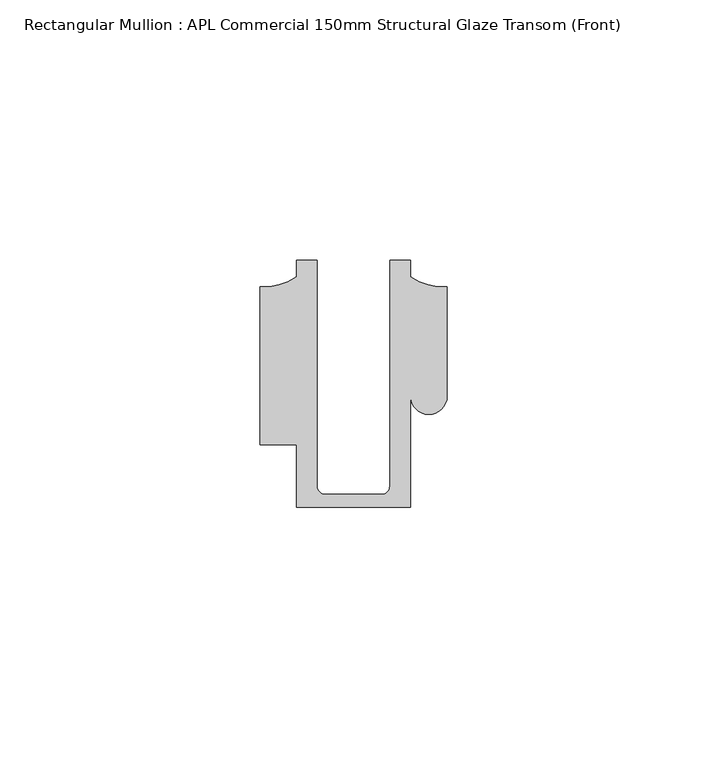
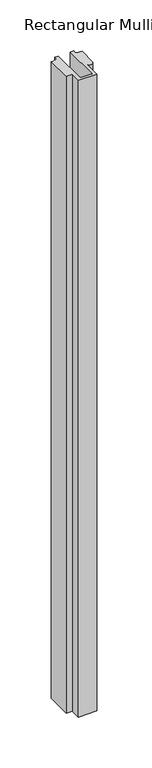
"""IFC4 building model written with IfcOpenShell, lengths in millimetres: member geometry, Rectangular Mullion : APL Commercial 150mm Structural Glaze Transom (Front)."""

from ifc_helpers import new_model, si_unit, frame, origin, place, context, project, spatial, polyline, circle_curve, source, transform, mapped, element, save
from ifc_brep_helpers import plane_surface, cylinder_surface, revolved_surface, advanced_brep


def rectangular_mullion_apl_commercial_150mm_structural_glaze_e65ae84f(model_context):
    return source(origin(), model_context, "Body", "AdvancedBrep", [
        advanced_brep(
        [(-11.0000151, -27.0, 0.0), (11.001071, -27.0, 0.0), (11.001071, -5.5848769, 0.0), (17.9999091, -5.6750512, 0.0), (17.9999542, 15.3797475, 0.0), (11.0000151, 17.3125212, 0.0), (11.0000151, 20.5, 0.0), (6.9999849, 20.5, 0.0), (6.9999849, -22.9973451, 0.0), (5.4999872, -24.5, 0.0), (-5.4999873, -24.5, 0.0), (-6.9999853, -22.9976091, 0.0), (-6.9999853, 20.5, 0.0), (-10.9999994, 20.5, 0.0), (-10.9999994, 17.3125325, 0.0), (-17.9999542, 15.3797475, 0.0), (-17.9999542, -15.0006281, 0.0), (-11.0000151, -15.0006281, 0.0), (-11.0000151, -27.0, -793.4600666), (-11.0000151, -15.0006281, -793.4600666), (-17.9999542, -15.0006281, -793.4600666), (-17.9999542, 15.3797475, -793.4600666), (-10.9999994, 17.3125325, -793.4600666), (-10.9999994, 20.5, -793.4600666), (-6.9999853, 20.5, -793.4600666), (-6.9999853, -22.9976091, -793.4600666), (-5.4999873, -24.5, -793.4600666), (5.4999872, -24.5, -793.4600666), (6.9999849, -22.9973451, -793.4600666), (6.9999849, 20.5, -793.4600666), (11.0000151, 20.5, -793.4600666), (11.0000151, 17.3125212, -793.4600666), (17.9999542, 15.3797475, -793.4600666), (17.9999542, -5.684606, -793.4600666), (11.001071, -5.5848769, -793.4600666), (11.001071, -27.0, -793.4600666)],
        [
            (0, 1),
            (1, 2),
            (2, 3, circle_curve(frame((14.4999091, -5.6750512, 0.0), z_axis=(0.0, 0.0, 1.0), x_axis=(-0.9999826028573957, 0.005898642432633649, 0.0)), 3.5)),
            (3, 4),
            (4, 5, circle_curve(frame((17.109817, 25.7981812, 0.0), z_axis=(0.0, 0.0, -1.0), x_axis=(0.0, -1.0, 0.0)), 10.4563907)),
            (5, 6),
            (6, 7),
            (7, 8),
            (8, 9, circle_curve(frame((5.4999872, -23.0, 0.0), z_axis=(0.0, 0.0, -1.0), x_axis=(0.9999999999999986, 5.463622857820516e-08, 0.0)), 1.5)),
            (9, 10),
            (10, 11, circle_curve(frame((-5.4999873, -23.0, 0.0), z_axis=(0.0, 0.0, -1.0), x_axis=(2.7320010112268853e-08, -0.9999999999999997, 0.0)), 1.5)),
            (11, 12),
            (12, 13),
            (13, 14),
            (14, 15, circle_curve(frame((-17.109817, 25.7981812, 0.0), z_axis=(0.0, 0.0, -1.0), x_axis=(0.0, -1.0, 0.0)), 10.4563907)),
            (15, 16),
            (16, 17),
            (17, 0),
            (18, 19),
            (19, 20),
            (20, 21),
            (21, 22, circle_curve(frame((-17.109817, 25.7981812, -793.4600666), z_axis=(0.0, 0.0, 1.0), x_axis=(0.0, -1.0, 0.0)), 10.4563907)),
            (22, 23),
            (23, 24),
            (24, 25),
            (25, 26, circle_curve(frame((-5.4999873, -23.0, -793.4600666), z_axis=(0.0, 0.0, 1.0), x_axis=(2.7320010112268853e-08, -0.9999999999999997, 0.0)), 1.5)),
            (26, 27),
            (27, 28, circle_curve(frame((5.4999872, -23.0, -793.4600666), z_axis=(0.0, 0.0, 1.0), x_axis=(0.9999999999999986, 5.463622857820516e-08, 0.0)), 1.5)),
            (28, 29),
            (29, 30),
            (30, 31),
            (31, 32, circle_curve(frame((17.109817, 25.7981812, -793.4600666), z_axis=(0.0, 0.0, 1.0), x_axis=(0.0, -1.0, 0.0)), 10.4563907)),
            (32, 33),
            (33, 34, circle_curve(frame((14.4999091, -5.6750512, -793.4600666), z_axis=(0.0, 0.0, -1.0), x_axis=(-0.9999826028573957, 0.005898642432633649, 0.0)), 3.5)),
            (34, 35),
            (35, 18),
            (0, 18),
            (35, 1),
            (34, 2),
            (33, 3),
            (32, 4),
            (31, 5),
            (30, 6),
            (29, 7),
            (28, 8),
            (27, 9),
            (26, 10),
            (25, 11),
            (24, 12),
            (23, 13),
            (22, 14),
            (21, 15),
            (20, 16),
            (19, 17),
        ],
        [
            plane_surface(frame((0.0, -29.1551636, 0.0), z_axis=(0.0, 0.0, 1.0), x_axis=(-1.0, 0.0, 0.0))),
            plane_surface(frame((0.0, -29.1551636, -793.4600666), z_axis=(0.0, 0.0, -1.0), x_axis=(-1.0, 0.0, 0.0))),
            plane_surface(frame((-11.0000151, -27.0, 0.0), z_axis=(0.0, -1.0, 0.0), x_axis=(0.0, 0.0, -1.0))),
            plane_surface(frame((11.001071, -27.0, 0.0), z_axis=(1.0, 0.0, 0.0), x_axis=(0.0, 0.0, -1.0))),
            cylinder_surface(frame((14.4999091, -5.6750512, 0.0), z_axis=(0.0, 0.0, 1.0), x_axis=(-0.9999826028573957, 0.005898642432633649, 0.0)), 3.5),
            plane_surface(frame((17.9999542, -5.684606, 0.0), z_axis=(1.0, 0.0, 0.0), x_axis=(0.0, 0.0, -1.0))),
            revolved_surface(polyline([(17.109817, 15.341790499999998, -793.4600666), (17.109817, 15.341790499999998, 0.0)]), (17.109817, 25.7981812, 0.0), (0.0, 0.0, -1.0)),
            plane_surface(frame((11.0000151, 17.3125212, 0.0), z_axis=(1.0, 0.0, 0.0), x_axis=(0.0, 0.0, -1.0))),
            plane_surface(frame((11.0000151, 20.5, 0.0), z_axis=(0.0, 1.0, 0.0), x_axis=(0.0, 0.0, -1.0))),
            plane_surface(frame((6.9999849, 20.5, 0.0), z_axis=(-1.0, 0.0, 0.0), x_axis=(0.0, 0.0, -1.0))),
            revolved_surface(polyline([(6.999987199999998, -22.999999918045656, -793.4600666), (6.999987199999998, -22.999999918045656, 0.0)]), (5.4999872, -23.0, 0.0), (0.0, 0.0, -1.0)),
            plane_surface(frame((5.4999872, -24.5, 0.0), z_axis=(0.0, 1.0, 0.0), x_axis=(0.0, 0.0, -1.0))),
            revolved_surface(polyline([(-5.499987259019985, -24.5, -793.4600666), (-5.499987259019985, -24.5, 0.0)]), (-5.4999873, -23.0, 0.0), (0.0, 0.0, -1.0)),
            plane_surface(frame((-6.9999853, -22.9976091, 0.0), z_axis=(1.0, 0.0, 0.0), x_axis=(0.0, 0.0, -1.0))),
            plane_surface(frame((-6.9999853, 20.5, 0.0), z_axis=(0.0, 1.0, 0.0), x_axis=(0.0, 0.0, -1.0))),
            plane_surface(frame((-10.9999994, 20.5, 0.0), z_axis=(-1.0, 0.0, 0.0), x_axis=(0.0, 0.0, -1.0))),
            revolved_surface(polyline([(-17.109817, 15.341790499999998, -793.4600666), (-17.109817, 15.341790499999998, 0.0)]), (-17.109817, 25.7981812, 0.0), (0.0, 0.0, -1.0)),
            plane_surface(frame((-17.9999542, 15.3797475, 0.0), z_axis=(-1.0, 0.0, 0.0), x_axis=(0.0, 0.0, -1.0))),
            plane_surface(frame((-17.9999542, -15.0006281, 0.0), z_axis=(0.0, -1.0, 0.0), x_axis=(0.0, 0.0, -1.0))),
            plane_surface(frame((-11.0000151, -15.0006281, 0.0), z_axis=(-1.0, 0.0, 0.0), x_axis=(0.0, 0.0, -1.0))),
        ],
        [
            (0, [[1, 2, 3, 4, 5, 6, 7, 8, 9, 10, 11, 12, 13, 14, 15, 16, 17, 18]]),
            (1, [[19, 20, 21, 22, 23, 24, 25, 26, 27, 28, 29, 30, 31, 32, 33, 34, 35, 36]]),
            (2, [[-1, 37, -36, 38]]),
            (3, [[-2, -38, -35, 39]]),
            (4, [[-3, -39, -34, 40]]),
            (5, [[-4, -40, -33, 41]]),
            (6, [[-5, -41, -32, 42]]),
            (7, [[-6, -42, -31, 43]]),
            (8, [[-7, -43, -30, 44]]),
            (9, [[-8, -44, -29, 45]]),
            (10, [[-9, -45, -28, 46]]),
            (11, [[-10, -46, -27, 47]]),
            (12, [[-11, -47, -26, 48]]),
            (13, [[-12, -48, -25, 49]]),
            (14, [[-13, -49, -24, 50]]),
            (15, [[-14, -50, -23, 51]]),
            (16, [[-15, -51, -22, 52]]),
            (17, [[-16, -52, -21, 53]]),
            (18, [[-17, -53, -20, 54]]),
            (19, [[-18, -54, -19, -37]]),
        ],
    ),
    ])


if __name__ == "__main__":
    model = new_model("IFC4")
    model_context = context("Model", 3, world=origin())
    ifc_project = project(units=[si_unit("LENGTHUNIT", "METRE", prefix="MILLI")], contexts=[model_context])
    site = spatial("IfcSite", under=ifc_project)
    building = spatial("IfcBuilding", under=site)
    placement = place(None, origin())
    rectangular_mullion_apl_commercial_150mm_structural_glaze_shape = rectangular_mullion_apl_commercial_150mm_structural_glaze_e65ae84f(model_context)
    element("IfcMember", 1, ObjectType="Rectangular Mullion : APL Commercial 150mm Structural Glaze Transom (Front)", at=placement, inside=building, context=model_context, shape_type="MappedRepresentation", body=[
        mapped(rectangular_mullion_apl_commercial_150mm_structural_glaze_shape, transform((0.0, 0.0, 0.0), x_axis=(1.0, 0.0, 0.0), y_axis=(0.0, 1.0, 0.0), z_axis=(0.0, 0.0, 1.0))),
    ])
    save(model, "model.ifc")
